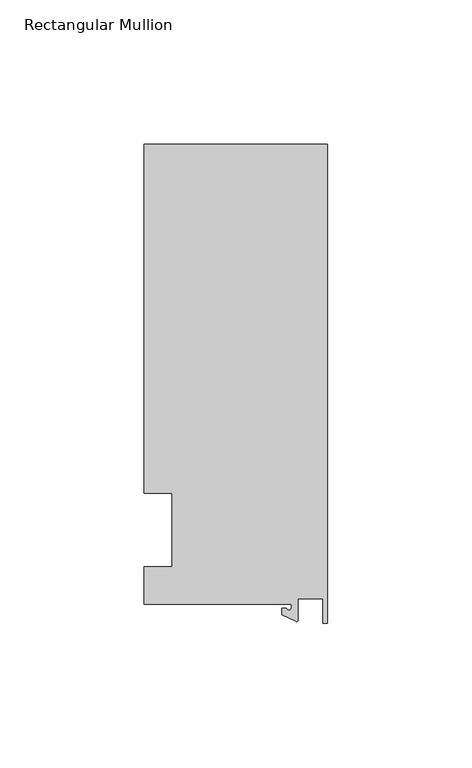
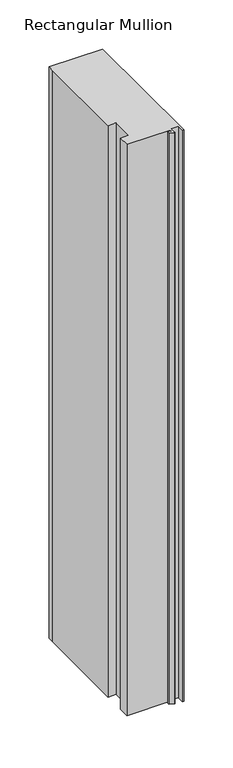
"""IFC4 building model written with IfcOpenShell, lengths in millimetres: member geometry, Rectangular Mullion."""

from ifc_helpers import new_model, si_unit, point, frame, frame_2d, origin, place, context, project, spatial, polyline, circle_curve, trimmed, segment, composite_curve, outline, extrude, source, transform, mapped, element, save


def rectangular_mullion_a32249c1(model_context):
    return source(origin(), model_context, "Body", "SweptSolid", [
        extrude(outline(composite_curve([segment(polyline([(-12.6173814, -25.796875), (-63.5, -25.796875), (-63.5, -12.7), (-53.975, -12.7), (-53.975, 12.7), (-63.5, 12.7), (-63.5, 125.8114907), (-63.5, 133.34365), (0.0, 133.34365), (0.0, -32.288874), (-1.5658966, -32.288874), (-1.7144124, -23.9227662), (-10.2297814, -23.9227662), (-10.2297814, -31.2414327)]), True, "CONTINUOUS"), segment(trimmed(circle_curve(frame_2d((-10.7377814, -31.2414327)), 0.508), [point((-10.2297814, -31.2414327))], [point((-10.9524715, -31.7018371))], False, "CARTESIAN"), True, "CONTINUOUS"), segment(polyline([(-10.9524715, -31.7018371), (-15.7923814, -29.44495), (-15.7923814, -27.0827507), (-14.2048814, -27.0827507)]), True, "CONTINUOUS"), segment(trimmed(circle_curve(frame_2d((-13.4111314, -27.0827507)), 0.79375), [point((-14.2048814, -27.0827507))], [point((-12.6173814, -27.0827507))], True, "CARTESIAN"), True, "CONTINUOUS"), segment(polyline([(-12.6173814, -27.0827507), (-12.6173814, -25.796875)]), True, "CONTINUOUS")], self_intersect=False)), frame((0.0, 0.0, -711.2), z_axis=(0.0, 0.0, 1.0), x_axis=(1.0, 0.0, 0.0)), (0.0, 0.0, 1.0), 711.2),
    ])


if __name__ == "__main__":
    model = new_model("IFC4")
    model_context = context("Model", 3, world=origin())
    ifc_project = project(units=[si_unit("LENGTHUNIT", "METRE", prefix="MILLI")], contexts=[model_context])
    site = spatial("IfcSite", under=ifc_project)
    building = spatial("IfcBuilding", under=site)
    placement = place(None, origin())
    rectangular_mullion_shape = rectangular_mullion_a32249c1(model_context)
    element("IfcMember", 1, ObjectType="Rectangular Mullion", at=placement, inside=building, context=model_context, shape_type="MappedRepresentation", body=[
        mapped(rectangular_mullion_shape, transform((0.0, 0.0, 0.0), x_axis=(1.0, 0.0, 0.0), y_axis=(0.0, 1.0, 0.0), z_axis=(0.0, 0.0, 1.0))),
    ])
    save(model, "model.ifc")
